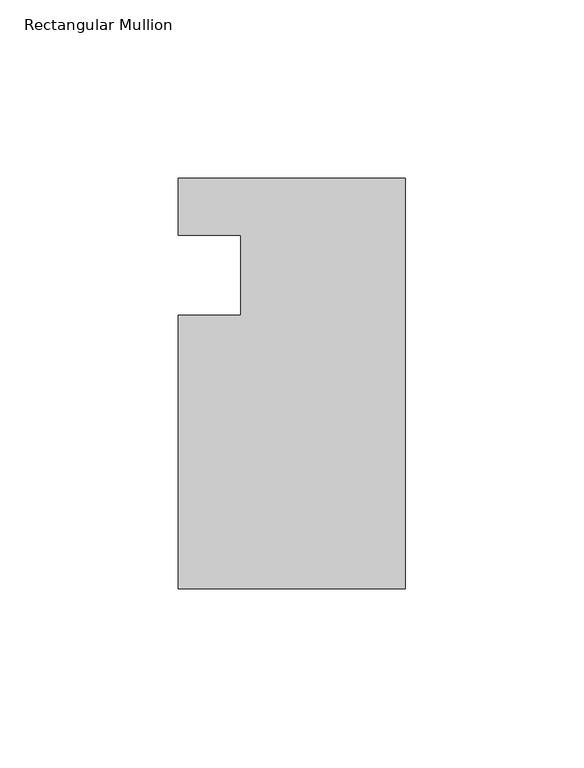
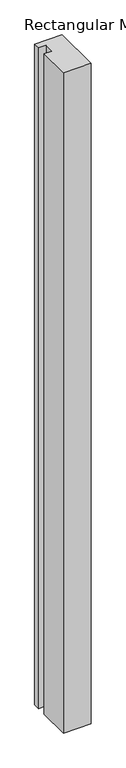
"""IFC4 building model written with IfcOpenShell, lengths in millimetres: member geometry, Rectangular Mullion."""

from ifc_helpers import new_model, si_unit, frame, origin, place, context, project, spatial, polyline, outline, extrude, source, transform, mapped, element, save


def rectangular_mullion_c2dbbc5a(model_context):
    return source(origin(), model_context, "Body", "SweptSolid", [
        extrude(outline(polyline([(-63.5, -114.5309813), (-63.5, -38.0007813), (-46.0375, -38.0007812), (-46.0375, -15.5217812), (-63.5, -15.5217812), (-63.5, 0.3532188), (0.0, 0.3532188), (0.0, -114.5309813), (-63.5, -114.5309813)])), frame((0.0, 0.0, -1612.9), z_axis=(0.0, 0.0, 1.0), x_axis=(1.0, 0.0, 0.0)), (0.0, 0.0, 1.0), 1612.9),
    ])


if __name__ == "__main__":
    model = new_model("IFC4")
    model_context = context("Model", 3, world=origin())
    ifc_project = project(units=[si_unit("LENGTHUNIT", "METRE", prefix="MILLI")], contexts=[model_context])
    site = spatial("IfcSite", under=ifc_project)
    building = spatial("IfcBuilding", under=site)
    placement = place(None, origin())
    rectangular_mullion_shape = rectangular_mullion_c2dbbc5a(model_context)
    element("IfcMember", 1, ObjectType="Rectangular Mullion", at=placement, inside=building, context=model_context, shape_type="MappedRepresentation", body=[
        mapped(rectangular_mullion_shape, transform((0.0, 0.0, 0.0), x_axis=(1.0, 0.0, 0.0), y_axis=(0.0, 1.0, 0.0), z_axis=(0.0, 0.0, 1.0))),
    ])
    save(model, "model.ifc")
